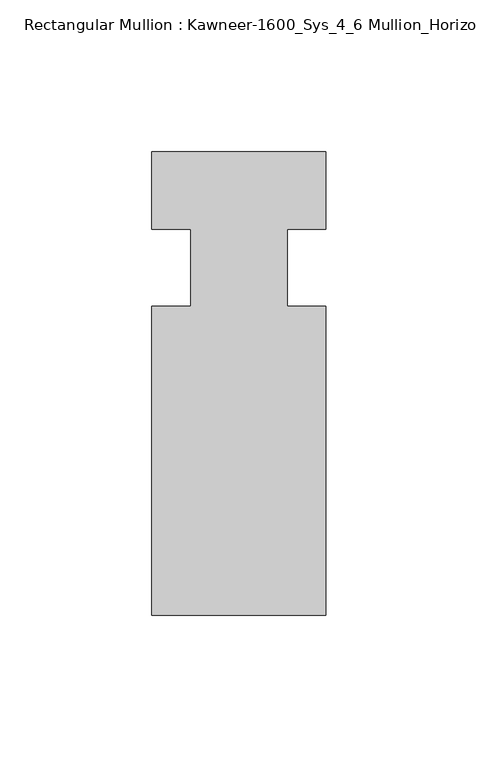
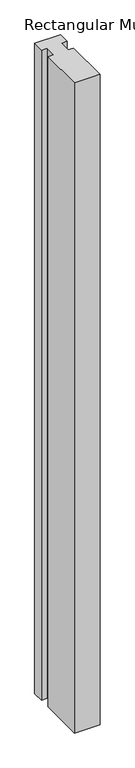
"""IFC4 building model written with IfcOpenShell, lengths in millimetres: member geometry, Rectangular Mullion : Kawneer-1600_Sys_4_6 Mullion_Horizontal."""

from ifc_helpers import new_model, si_unit, frame, origin, place, context, project, spatial, polyline, outline, extrude, source, transform, mapped, element, save


def rectangular_mullion_kawneer_1600_sys_4_6_mullion_horizontal_d0062e3d(model_context):
    return source(origin(), model_context, "Body", "SweptSolid", [
        extrude(outline(polyline([(32.9094027, -114.3), (-24.2405973, -114.3), (-24.2405973, -12.7), (-11.5405973, -12.7), (-11.5405973, 12.7), (-24.2405973, 12.7), (-24.2405973, 38.1), (32.9094027, 38.1), (32.9094027, 12.7), (20.2076322, 12.7), (20.2076322, -12.7), (32.9094027, -12.7), (32.9094027, -114.3)])), frame((0.0, 0.0, -1524.0), z_axis=(0.0, 0.0, 1.0), x_axis=(1.0, 0.0, 0.0)), (0.0, 0.0, 1.0), 1524.0),
    ])


if __name__ == "__main__":
    model = new_model("IFC4")
    model_context = context("Model", 3, world=origin())
    ifc_project = project(units=[si_unit("LENGTHUNIT", "METRE", prefix="MILLI")], contexts=[model_context])
    site = spatial("IfcSite", under=ifc_project)
    building = spatial("IfcBuilding", under=site)
    placement = place(None, origin())
    rectangular_mullion_kawneer_1600_sys_4_6_mullion_horizontal_shape = rectangular_mullion_kawneer_1600_sys_4_6_mullion_horizontal_d0062e3d(model_context)
    element("IfcMember", 1, ObjectType="Rectangular Mullion : Kawneer-1600_Sys_4_6 Mullion_Horizontal", at=placement, inside=building, context=model_context, shape_type="MappedRepresentation", body=[
        mapped(rectangular_mullion_kawneer_1600_sys_4_6_mullion_horizontal_shape, transform((0.0, 0.0, 0.0), x_axis=(1.0, 0.0, 0.0), y_axis=(0.0, 1.0, 0.0), z_axis=(0.0, 0.0, 1.0))),
    ])
    save(model, "model.ifc")
